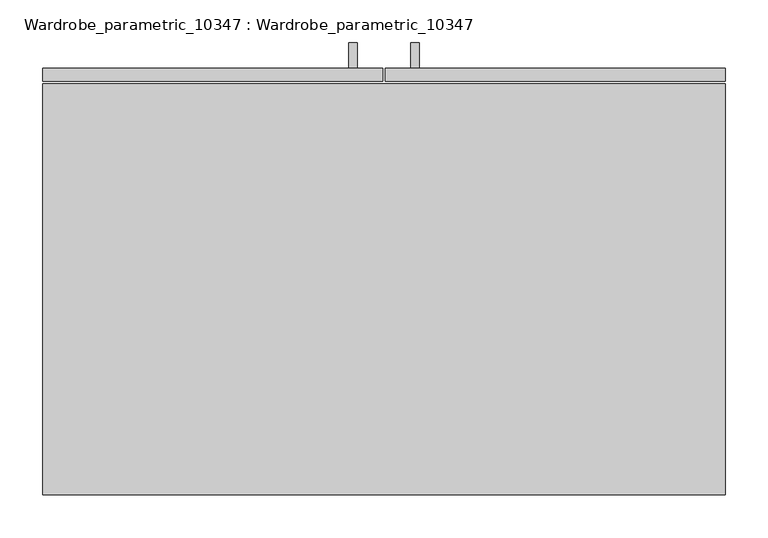
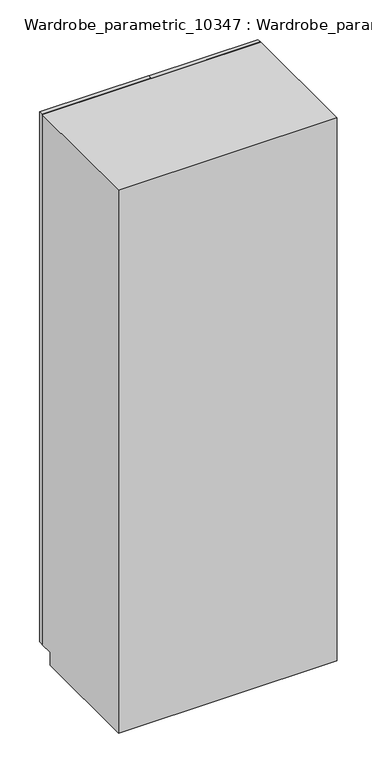
"""IFC4 building model written with IfcOpenShell, lengths in millimetres: furniture geometry, Wardrobe_parametric_10347 : Wardrobe_parametric_10347."""

from ifc_helpers import new_model, si_unit, frame, origin, place, context, project, spatial, polyline, outline, extrude, faceted_brep, source, transform, mapped, element, save


def wardrobe_parametric_10347_wardrobe_parametric_10347_869564ae(model_context):
    return source(origin(), model_context, "Body", "SolidModel", [
        extrude(outline(polyline([(18.0, 1095.0), (18.0, 1100.0), (48.0, 1100.0), (48.0, 1000.0), (18.0, 1000.0), (18.0, 1005.0), (43.0, 1005.0), (43.0, 1095.0), (18.0, 1095.0)])), frame((3.2003264, 0.0, 0.0), z_axis=(1.0, 0.0, 0.0), x_axis=(0.0, 1.0, 0.0)), (0.0, 0.0, 1.0), 10.0),
        extrude(outline(polyline([(18.0, 1095.0), (18.0, 1100.0), (48.0, 1100.0), (48.0, 1000.0), (18.0, 1000.0), (18.0, 1005.0), (43.0, 1005.0), (43.0, 1095.0), (18.0, 1095.0)])), frame((76.2003264, 0.0, 0.0), z_axis=(1.0, 0.0, 0.0), x_axis=(0.0, 1.0, 0.0)), (0.0, 0.0, 1.0), 10.0),
        extrude(outline(polyline([(444.7003264, 18.0), (444.7003264, 3.0), (46.2003264, 3.0), (46.2003264, 18.0), (444.7003264, 18.0)])), frame((0.0, 0.0, 50.0), z_axis=(0.0, 0.0, 1.0), x_axis=(1.0, 0.0, 0.0)), (0.0, 0.0, 1.0), 2050.0),
        extrude(outline(polyline([(43.2003264, 3.0), (-355.2996736, 3.0), (-355.2996736, 18.0), (43.2003264, 18.0), (43.2003264, 3.0)])), frame((0.0, 0.0, 50.0), z_axis=(0.0, 0.0, 1.0), x_axis=(1.0, 0.0, 0.0)), (0.0, 0.0, 1.0), 2050.0),
        faceted_brep([(444.7003264, -482.0, 0.0), (-355.2996736, -482.0, 0.0), (-355.2996736, -50.0, 0.0), (444.7003264, -50.0, 0.0), (444.7003264, -482.0, 2100.0), (-355.2996736, -482.0, 2100.0), (-355.2996736, 0.0, 2100.0), (-355.2996736, 0.0, 50.0), (-355.2996736, -50.0, 50.0), (444.7003264, -50.0, 50.0), (444.7003264, 0.0, 50.0), (444.7003264, 0.0, 2100.0), (-340.2996736, 0.0, 1269.5), (-340.2996736, 0.0, 880.5), (37.2003264, 0.0, 880.5), (37.2003264, 0.0, 1269.5), (429.7003264, 0.0, 65.0), (429.7003264, 0.0, 1673.5), (52.2003264, 0.0, 1673.5), (52.2003264, 0.0, 65.0), (-340.2996736, 0.0, 65.0), (37.2003264, 0.0, 65.0), (37.2003264, 0.0, 461.5), (-340.2996736, 0.0, 461.5), (-340.2996736, 0.0, 865.5), (-340.2996736, 0.0, 476.5), (37.2003264, 0.0, 476.5), (37.2003264, 0.0, 865.5), (-340.2996736, 0.0, 2085.0), (-340.2996736, 0.0, 1688.5), (429.7003264, 0.0, 1688.5), (429.7003264, 0.0, 2085.0), (37.2003264, 0.0, 1673.5), (-340.2996736, 0.0, 1673.5), (-340.2996736, 0.0, 1284.5), (37.2003264, 0.0, 1284.5), (-340.2996736, -466.556441, 65.0), (37.2003264, -466.556441, 65.0), (37.2003264, -466.556441, 461.5), (-340.2996736, -466.556441, 461.5), (429.7003264, -466.556441, 65.0), (429.7003264, -466.556441, 1673.5), (52.2003264, -466.556441, 1673.5), (52.2003264, -466.556441, 65.0), (-340.2996736, -466.556441, 1269.5), (-340.2996736, -466.556441, 880.5), (37.2003264, -466.556441, 880.5), (37.2003264, -466.556441, 1269.5), (-340.2996736, -466.556441, 865.5), (-340.2996736, -466.556441, 476.5), (37.2003264, -466.556441, 476.5), (37.2003264, -466.556441, 865.5), (-340.2996736, -466.556441, 2085.0), (429.7003264, -466.556441, 2085.0), (429.7003264, -466.556441, 1688.5), (-340.2996736, -466.556441, 1688.5), (37.2003264, -466.556441, 1673.5), (37.2003264, -466.556441, 1284.5), (-340.2996736, -466.556441, 1284.5), (-340.2996736, -466.556441, 1673.5)], [[[0, 1, 2, 3]], [[1, 0, 4, 5]], [[2, 1, 5, 6, 7, 8]], [[3, 2, 8, 9]], [[0, 3, 9, 10, 11, 4]], [[7, 10, 9, 8]], [[6, 11, 10, 7], [12, 13, 14, 15], [16, 17, 18, 19], [20, 21, 22, 23], [24, 25, 26, 27], [28, 29, 30, 31], [32, 33, 34, 35]], [[36, 37, 21, 20]], [[37, 38, 22, 21]], [[38, 39, 23, 22]], [[39, 36, 20, 23]], [[40, 41, 17, 16]], [[42, 43, 19, 18]], [[43, 40, 16, 19]], [[44, 45, 13, 12]], [[45, 46, 14, 13]], [[46, 47, 15, 14]], [[48, 49, 25, 24]], [[49, 50, 26, 25]], [[50, 51, 27, 26]], [[51, 48, 24, 27]], [[37, 36, 39, 38]], [[41, 40, 43, 42]], [[48, 51, 50, 49]], [[52, 53, 54, 55]], [[56, 57, 58, 59]], [[44, 47, 46, 45]], [[11, 6, 5, 4]], [[52, 55, 29, 28]], [[53, 52, 28, 31]], [[55, 54, 30, 29]], [[54, 53, 31, 30]], [[41, 42, 18, 17]], [[56, 59, 33, 32]], [[59, 58, 34, 33]], [[58, 57, 35, 34]], [[57, 56, 32, 35]], [[47, 44, 12, 15]]]),
    ])


if __name__ == "__main__":
    model = new_model("IFC4")
    model_context = context("Model", 3, world=origin())
    ifc_project = project(units=[si_unit("LENGTHUNIT", "METRE", prefix="MILLI")], contexts=[model_context])
    site = spatial("IfcSite", under=ifc_project)
    building = spatial("IfcBuilding", under=site)
    placement = place(None, origin())
    wardrobe_parametric_10347_wardrobe_parametric_10347_shape = wardrobe_parametric_10347_wardrobe_parametric_10347_869564ae(model_context)
    element("IfcFurniture", 1, ObjectType="Wardrobe_parametric_10347 : Wardrobe_parametric_10347", at=placement, inside=building, context=model_context, shape_type="MappedRepresentation", body=[
        mapped(wardrobe_parametric_10347_wardrobe_parametric_10347_shape, transform((0.0, 0.0, 0.0), x_axis=(1.0, 0.0, 0.0), y_axis=(0.0, 1.0, 0.0), z_axis=(0.0, 0.0, 1.0))),
    ])
    save(model, "model.ifc")
